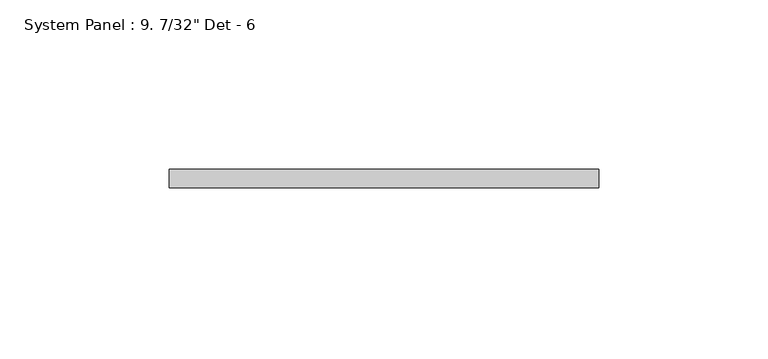
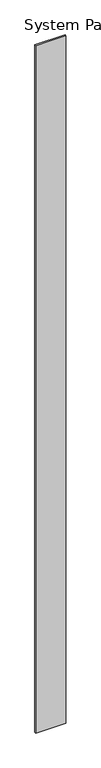
"""IFC4 building model written with IfcOpenShell, lengths in millimetres: plate geometry."""

from ifc_helpers import new_model, si_unit, origin, origin_with_axes, place, context, project, spatial, polyline, outline, extrude, source, transform, mapped, element, save


def plate_c5b21b72(model_context):
    return source(origin(), model_context, "Body", "SweptSolid", [
        extrude(outline(polyline([(63.5, -5.55625), (-63.5, -5.55625), (-63.5, 0.0), (63.5, 0.0), (63.5, -5.55625)])), origin_with_axes(), (0.0, 0.0, 1.0), 3048.0),
    ])


if __name__ == "__main__":
    model = new_model("IFC4")
    model_context = context("Model", 3, world=origin())
    ifc_project = project(units=[si_unit("LENGTHUNIT", "METRE", prefix="MILLI")], contexts=[model_context])
    site = spatial("IfcSite", under=ifc_project)
    building = spatial("IfcBuilding", under=site)
    placement = place(None, origin())
    plate_shape = plate_c5b21b72(model_context)
    element("IfcPlate", 1, ObjectType="System Panel : 9. 7/32\" Det - 6", at=placement, inside=building, context=model_context, shape_type="MappedRepresentation", body=[
        mapped(plate_shape, transform((0.0, 0.0, 0.0), x_axis=(1.0, 0.0, 0.0), y_axis=(0.0, 1.0, 0.0), z_axis=(0.0, 0.0, 1.0))),
    ])
    save(model, "model.ifc")
